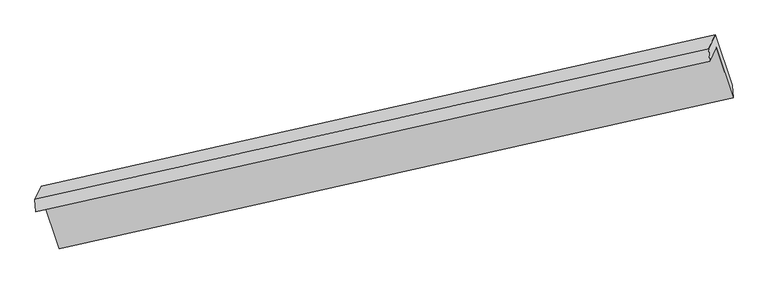
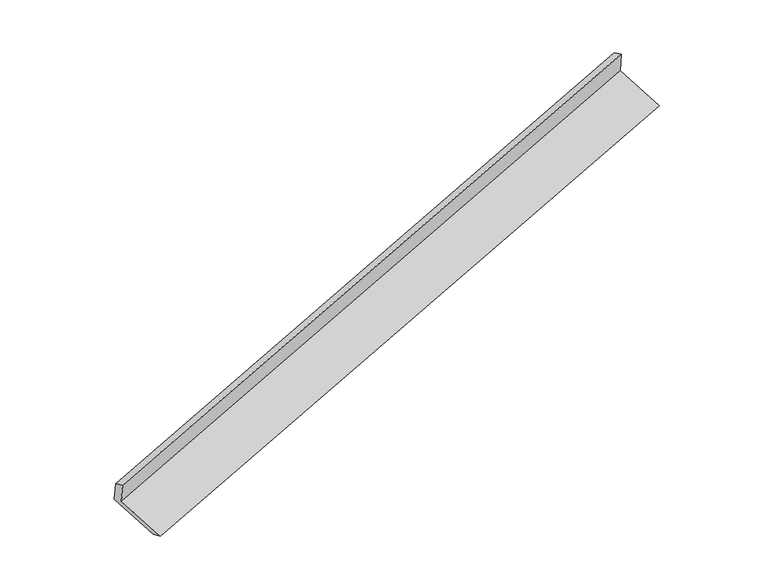
"""IFC4 building model written with IfcOpenShell, lengths in millimetres: proxy geometry."""

from ifc_helpers import new_model, si_unit, frame, origin, place, context, project, spatial, source, transform, mapped, element, save
from ifc_brep_helpers import plane_surface, spline_surface, advanced_brep


def generic_models_3999b393(model_context):
    return source(origin(), model_context, "Body", "AdvancedBrep", [
        advanced_brep(
        [(-7435.6346886, -2479.6392807, 933.9834342), (-7350.3317973, -2301.8410574, 533.2554704), (1552.2754471, -308.8691948, 3284.7465839), (1465.0626008, -490.6483686, 3694.4469557), (-7449.4560685, -2315.0124588, 862.8071534), (1451.2412209, -326.0215467, 3623.2706749), (-7366.0513202, -2141.1705663, 470.9961088), (1538.4658791, -144.2177532, 3213.5148143), (-7144.0776236, -2807.4932675, 222.6081667), (1760.4395758, -810.5404543, 2965.1268722), (-7128.3858161, -2968.0805622, 284.8985418), (1774.2214283, -975.1086996, 3036.3896553)],
        [
            (0, 1),
            (1, 2),
            (2, 3),
            (3, 0),
            (4, 0),
            (3, 5),
            (5, 4),
            (6, 4),
            (5, 7),
            (7, 6),
            (8, 6),
            (7, 9),
            (9, 8),
            (10, 8),
            (9, 11),
            (11, 10),
            (1, 10),
            (11, 2),
        ],
        [
            plane_surface(frame((-7392.983243, -2390.7401691, 733.6194523), z_axis=(0.3026114821279026, -0.8934268754888018, -0.3319860072934873), x_axis=(0.19099549146943043, 0.39809505278423374, -0.8972407988868256))),
            plane_surface(frame((-7442.5453786, -2397.3258698, 898.3952938), z_axis=(-0.34771566713292684, 0.3473363413472152, 0.8708910843554634), x_axis=(0.0768339737552633, -0.9151714952544661, 0.3956736973197491))),
            plane_surface(frame((-7407.7536944, -2228.0915126, 666.9016311), z_axis=(-0.30261148212792266, 0.8934268754887613, 0.33198600729357775), x_axis=(-0.19099549146936712, -0.3980950527843168, 0.8972407988868022))),
            plane_surface(frame((-7255.0644719, -2474.3319169, 346.8021377), z_axis=(0.1875588653421486, 0.3973442778142268, -0.8982979444036686), x_axis=(-0.2979701059177501, 0.8944494272968019, 0.3334277102878343))),
            spline_surface(1, 1, [[(-7128.3858161, -2968.0805622, 284.8985418), (1774.2214283, -975.1086996, 3036.3896553)], [(-7144.0776236, -2807.4932675, 222.6081667), (1760.4395758, -810.5404543, 2965.1268722)]], [2, 2], [2, 2], [0.0, 1.0], [0.0, 1.0]),
            plane_surface(frame((-7239.3588067, -2634.9608098, 409.0770061), z_axis=(-0.1885410133532163, -0.39755933123193404, 0.8979971405489886), x_axis=(0.29797010591775375, -0.8944494272968249, -0.3334277102877695))),
            plane_surface(frame((1590.2843587, -509.2343362, 3302.9159261), z_axis=(0.9352724406384145, 0.20366774648209646, 0.28945623300452183), x_axis=(-0.2979701059177501, 0.8944494272968019, 0.3334277102878343))),
            plane_surface(frame((-7312.3228857, -2502.2061988, 551.4248125), z_axis=(-0.9352724406383617, -0.2036677464822121, -0.2894562330046111), x_axis=(-0.19099549146944034, -0.3980950527842301, 0.8972407988868251))),
        ],
        [
            (0, [[1, 2, 3, 4]]),
            (1, [[5, -4, 6, 7]]),
            (2, [[8, -7, 9, 10]]),
            (3, [[11, -10, 12, 13]]),
            (4, [[14, -13, 15, 16]]),
            (5, [[17, -16, 18, -2]]),
            (6, [[-12, -9, -6, -3, -18, -15]]),
            (7, [[-1, -5, -8, -11, -14, -17]]),
        ],
    ),
    ])


if __name__ == "__main__":
    model = new_model("IFC4")
    model_context = context("Model", 3, world=origin())
    ifc_project = project(units=[si_unit("LENGTHUNIT", "METRE", prefix="MILLI")], contexts=[model_context])
    site = spatial("IfcSite", under=ifc_project)
    building = spatial("IfcBuilding", under=site)
    placement = place(None, origin())
    generic_models_shape = generic_models_3999b393(model_context)
    element("IfcBuildingElementProxy", 1, Name="Generic Models", at=placement, inside=building, context=model_context, shape_type="MappedRepresentation", body=[
        mapped(generic_models_shape, transform((0.0, 0.0, 0.0), x_axis=(1.0, 0.0, 0.0), y_axis=(0.0, 1.0, 0.0), z_axis=(0.0, 0.0, 1.0))),
    ])
    save(model, "model.ifc")
